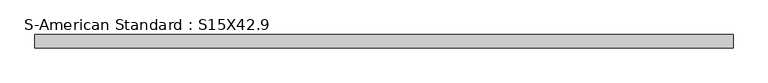
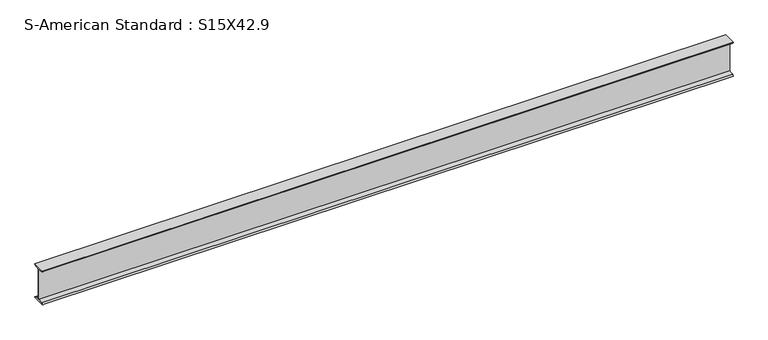
"""IFC4 building model written with IfcOpenShell, lengths in millimetres: beam geometry, S-American Standard : S15X42.9."""

import ifcopenshell
import ifcopenshell.guid

model = None  # the IFC model being written
_history = None  # IfcOwnerHistory: only IFC2X3 demands one
_inside = {}  # id of a spatial element -> (the spatial element, [elements in it])
_under = {}  # id of a project, library or spatial element -> (it, [spatial elements below it])
_declared = {}  # id of a project -> (the project, [libraries it declares])
_typed = {}  # id of a type object -> (the type object, [elements of that type])
_made_of = {}  # id of a material, layer set ... -> (it, [elements and type objects made of it])


def new_model(schema):
    """Start an empty IFC model of exactly this schema.

    Asked for "IFC4X3", IfcOpenShell would pick the latest addendum, in which some entities
    have other attributes; the version numbers below select the first issue.
    IFC2X3 requires an IfcOwnerHistory on every rooted entity: one is made here for all.
    """
    global model, _history
    if schema == "IFC4X3":
        model = ifcopenshell.file(schema_version=(4, 3, 0, 0))
    else:
        model = ifcopenshell.file(schema=schema)
    _inside.clear()
    _under.clear()
    _declared.clear()
    _typed.clear()
    _made_of.clear()
    _history = None
    if model.schema == "IFC2X3":
        org = make("IfcOrganization", Name="unknown")
        user = make(
            "IfcPersonAndOrganization",
            ThePerson=make("IfcPerson", FamilyName="unknown"),
            TheOrganization=org,
        )
        app = make(
            "IfcApplication",
            ApplicationDeveloper=org,
            Version="unknown",
            ApplicationFullName="unknown",
            ApplicationIdentifier="unknown",
        )
        _history = make(
            "IfcOwnerHistory",
            OwningUser=user,
            OwningApplication=app,
            ChangeAction="ADDED",
            CreationDate=0,
        )
    return model


def make(cls, **values):
    """One entity of the class cls with the attributes given. An attribute that is None is left unset."""
    return model.create_entity(
        cls, **{name: value for name, value in values.items() if value is not None}
    )


def rooted(cls, **values):
    """An entity with a GlobalId (a new one), such as an element, a storey or a relation."""
    return make(cls, GlobalId=ifcopenshell.guid.new(), OwnerHistory=_history, **values)


def si_unit(unit_type, name, prefix=None):
    """IfcSIUnit, for example si_unit("LENGTHUNIT", "METRE", prefix="MILLI")."""
    return make("IfcSIUnit", UnitType=unit_type, Prefix=prefix, Name=name)


def assignment(units):
    """IfcUnitAssignment: the units of a project."""
    return None if units is None else make("IfcUnitAssignment", Units=units)


def point(xyz):
    """IfcCartesianPoint."""
    return None if xyz is None else make("IfcCartesianPoint", Coordinates=xyz)


def direction(xyz):
    """IfcDirection."""
    return None if xyz is None else make("IfcDirection", DirectionRatios=xyz)


def frame(location, z_axis=None, x_axis=None):
    """IfcAxis2Placement3D, a coordinate frame: its origin and axes. An axis left out is left unset."""
    return make(
        "IfcAxis2Placement3D",
        Location=point(location),
        Axis=direction(z_axis),
        RefDirection=direction(x_axis),
    )


def frame_2d(location, x_axis=None):
    """IfcAxis2Placement2D, a coordinate frame in the plane: its origin and x axis."""
    return make(
        "IfcAxis2Placement2D", Location=point(location), RefDirection=direction(x_axis)
    )


def origin():
    """The frame at (0, 0, 0) with its axes left unset."""
    return frame((0.0, 0.0, 0.0))


def place(relative_to, where):
    """IfcLocalPlacement: puts the frame where relative to a parent placement (None: the world)."""
    return make(
        "IfcLocalPlacement", PlacementRelTo=relative_to, RelativePlacement=where
    )


def context(
    kind, dimensions, precision=None, world=None, true_north=None, identifier=None
):
    """IfcGeometricRepresentationContext, for example the 3D "Model" context."""
    return make(
        "IfcGeometricRepresentationContext",
        ContextIdentifier=identifier,
        ContextType=kind,
        CoordinateSpaceDimension=dimensions,
        Precision=precision,
        WorldCoordinateSystem=world,
        TrueNorth=true_north,
    )


def project(units=None, contexts=None):
    """IfcProject with its units and contexts."""
    return rooted(
        "IfcProject",
        Name="project",
        RepresentationContexts=contexts,
        UnitsInContext=assignment(units),
    )


def spatial(cls, under=None, at=None, **own):
    """A site, building, storey or space (cls), placed at a placement, below another one or the project."""
    s = rooted(cls, ObjectPlacement=at, **own)
    if under is not None:
        _under.setdefault(under.id(), (under, []))[1].append(s)
    return s


def polyline(points):
    """IfcPolyline through the points."""
    return make("IfcPolyline", Points=[point(p) for p in points])


def circle_curve(where, radius):
    """IfcCircle in the frame where."""
    return make("IfcCircle", Position=where, Radius=radius)


def trimmed(basis, trim1, trim2, sense, master):
    """IfcTrimmedCurve: the piece of a basis curve between two trims."""
    return make(
        "IfcTrimmedCurve",
        BasisCurve=basis,
        Trim1=trim1,
        Trim2=trim2,
        SenseAgreement=sense,
        MasterRepresentation=master,
    )


def segment(curve, same_sense, transition):
    """IfcCompositeCurveSegment."""
    return make(
        "IfcCompositeCurveSegment",
        Transition=transition,
        SameSense=same_sense,
        ParentCurve=curve,
    )


def composite_curve(segments, self_intersect=None):
    """IfcCompositeCurve: segments joined end to end."""
    return make("IfcCompositeCurve", Segments=segments, SelfIntersect=self_intersect)


def outline(outer, holes=None, kind="AREA"):
    """IfcArbitraryClosedProfileDef: a profile drawn as a closed curve; with holes, ...WithVoids."""
    if holes is None:
        return make("IfcArbitraryClosedProfileDef", ProfileType=kind, OuterCurve=outer)
    return make(
        "IfcArbitraryProfileDefWithVoids",
        ProfileType=kind,
        OuterCurve=outer,
        InnerCurves=holes,
    )


def extrude(swept, where, along, depth):
    """IfcExtrudedAreaSolid: the profile swept, set in the frame where, extruded along a direction by depth."""
    return make(
        "IfcExtrudedAreaSolid",
        SweptArea=swept,
        Position=where,
        ExtrudedDirection=direction(along),
        Depth=depth,
    )


def shape(context_of_items, identifier, shape_type, items):
    """IfcShapeRepresentation: the items that make up one representation, for example the "Body"."""
    return make(
        "IfcShapeRepresentation",
        ContextOfItems=context_of_items,
        RepresentationIdentifier=identifier,
        RepresentationType=shape_type,
        Items=items,
    )


def source(mapping_origin, context_of_items, identifier, shape_type, items):
    """IfcRepresentationMap: a shape defined once, which mapped items show again and again."""
    return make(
        "IfcRepresentationMap",
        MappingOrigin=mapping_origin,
        MappedRepresentation=shape(context_of_items, identifier, shape_type, items),
    )


def transform(
    local_origin,
    x_axis=None,
    y_axis=None,
    z_axis=None,
    scale=None,
    scale2=None,
    scale3=None,
    uniform=True,
):
    """IfcCartesianTransformationOperator3D, or its non-uniform kind. x_axis, y_axis, z_axis: its Axis1, 2, 3."""
    if uniform:
        return make(
            "IfcCartesianTransformationOperator3D",
            Axis1=direction(x_axis),
            Axis2=direction(y_axis),
            LocalOrigin=point(local_origin),
            Scale=scale,
            Axis3=direction(z_axis),
        )
    return make(
        "IfcCartesianTransformationOperator3DnonUniform",
        Axis1=direction(x_axis),
        Axis2=direction(y_axis),
        LocalOrigin=point(local_origin),
        Scale=scale,
        Axis3=direction(z_axis),
        Scale2=scale2,
        Scale3=scale3,
    )


def mapped(mapping_source, mapping_target):
    """IfcMappedItem: shows the shape of a source again, moved by a transform."""
    return make(
        "IfcMappedItem", MappingSource=mapping_source, MappingTarget=mapping_target
    )


def made_of(thing, what):
    """Note that an element or type object is made of a material, layer set ...; save() writes the relation."""
    if what is not None:
        _made_of.setdefault(what.id(), (what, []))[1].append(thing)
    return thing


def element(
    cls,
    number,
    at=None,
    inside=None,
    cuts=None,
    type_object=None,
    material=None,
    context=None,
    identifier="Body",
    shape_type=None,
    held_by="IfcProductDefinitionShape",
    body=None,
    shapes=None,
    **own,
):
    """One element of the class cls, such as IfcWall. Its Tag is "e" and its number.

    at: its placement. inside: the storey or other place that contains it. cuts: it is an
    opening in that element (IfcRelVoidsElement). A single representation is given by context,
    identifier, shape_type and body (its items); several are given by shapes. held_by: the class
    of the entity that holds the representations. save() writes the other relations.
    """
    e = rooted(cls, Tag="e%d" % number, ObjectPlacement=at, **own)
    if body is not None:
        shapes = [shape(context, identifier, shape_type, body)]
    if shapes is not None:
        e.Representation = make(held_by, Representations=shapes)
    if inside is not None:
        _inside.setdefault(inside.id(), (inside, []))[1].append(e)
    if cuts is not None:
        rooted(
            "IfcRelVoidsElement", RelatingBuildingElement=cuts, RelatedOpeningElement=e
        )
    if type_object is not None:
        _typed.setdefault(type_object.id(), (type_object, []))[1].append(e)
    return made_of(e, material)


def aggregate(whole, parts):
    """IfcRelAggregates: a whole, such as a stair, and the parts it consists of."""
    return rooted("IfcRelAggregates", RelatingObject=whole, RelatedObjects=parts)


def save(model, path):
    """Write the relations noted so far, then the file.

    IfcRelAggregates (storeys below a building ...), IfcRelContainedInSpatialStructure (elements
    in a storey), IfcRelDefinesByType, IfcRelAssociatesMaterial and IfcRelDeclares: one each for
    every whole, place, type object, material and project.
    """
    for whole, parts in _under.values():
        aggregate(whole, parts)
    for where, things in _inside.values():
        rooted(
            "IfcRelContainedInSpatialStructure",
            RelatedElements=things,
            RelatingStructure=where,
        )
    for kind, things in _typed.values():
        rooted("IfcRelDefinesByType", RelatedObjects=things, RelatingType=kind)
    for what, things in _made_of.values():
        rooted("IfcRelAssociatesMaterial", RelatedObjects=things, RelatingMaterial=what)
    for by, libraries in _declared.values():
        rooted("IfcRelDeclares", RelatingContext=by, RelatedDefinitions=libraries)
    model.write(path)


def s_american_standard_s15x42_9_17c14630(model_context):
    return source(origin(), model_context, "Body", "SweptSolid", [
        extrude(outline(composite_curve([segment(polyline([(-69.85, 190.5), (69.85, 190.5)]), True, "CONTINUOUS"), segment(trimmed(circle_curve(frame_2d((54.05, 190.5)), 15.8), [point((69.85, 190.5))], [point((54.05, 174.7))], False, "CARTESIAN"), True, "CONTINUOUS"), segment(polyline([(54.05, 174.7), (5.2, 166.9629201), (5.2, -166.9629201), (54.05, -174.7)]), True, "CONTINUOUS"), segment(trimmed(circle_curve(frame_2d((54.05, -190.5)), 15.8), [point((54.05, -174.7))], [point((69.85, -190.5))], False, "CARTESIAN"), True, "CONTINUOUS"), segment(polyline([(69.85, -190.5), (-69.85, -190.5)]), True, "CONTINUOUS"), segment(trimmed(circle_curve(frame_2d((-54.05, -190.5)), 15.8), [point((-69.85, -190.5))], [point((-54.05, -174.7))], False, "CARTESIAN"), True, "CONTINUOUS"), segment(polyline([(-54.05, -174.7), (-5.2, -166.9629201), (-5.2, 166.9629201), (-54.05, 174.7)]), True, "CONTINUOUS"), segment(trimmed(circle_curve(frame_2d((-54.05, 190.5)), 15.8), [point((-54.05, 174.7))], [point((-69.85, 190.5))], False, "CARTESIAN"), True, "CONTINUOUS")], self_intersect=False)), frame((-3587.9650991, 0.0, 0.0), z_axis=(1.0, 0.0, 0.0), x_axis=(0.0, 1.0, 0.0)), (0.0, 0.0, 1.0), 7353.1658664),
    ])


if __name__ == "__main__":
    model = new_model("IFC4")
    model_context = context("Model", 3, world=origin())
    ifc_project = project(units=[si_unit("LENGTHUNIT", "METRE", prefix="MILLI")], contexts=[model_context])
    site = spatial("IfcSite", under=ifc_project)
    building = spatial("IfcBuilding", under=site)
    placement = place(None, origin())
    s_american_standard_s15x42_9_shape = s_american_standard_s15x42_9_17c14630(model_context)
    element("IfcBeam", 1, ObjectType="S-American Standard : S15X42.9", at=placement, inside=building, context=model_context, shape_type="MappedRepresentation", body=[
        mapped(s_american_standard_s15x42_9_shape, transform((0.0, 0.0, 0.0), x_axis=(1.0, 0.0, 0.0), y_axis=(0.0, 1.0, 0.0), z_axis=(0.0, 0.0, 1.0))),
    ])
    save(model, "model.ifc")
